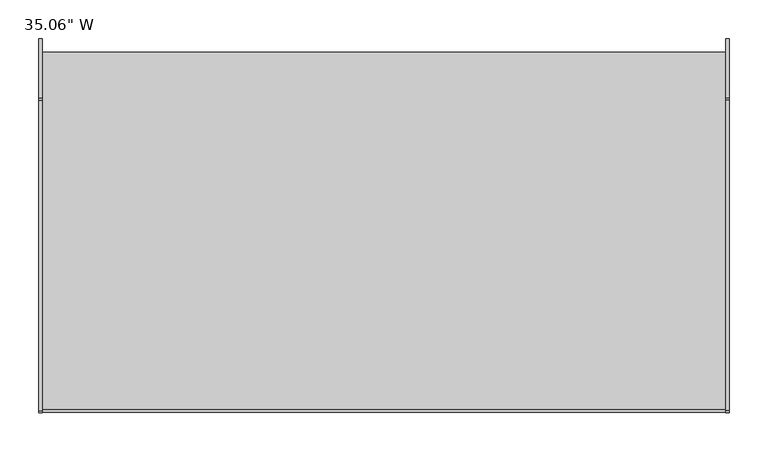
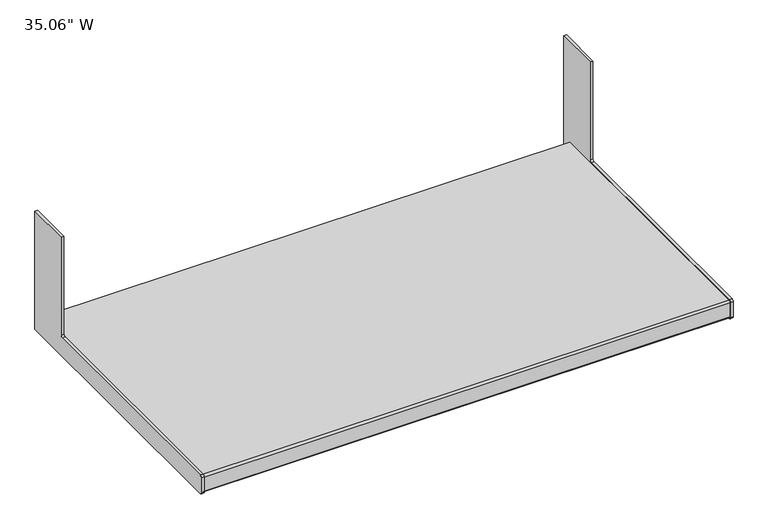
"""IFC4 building model written with IfcOpenShell, lengths in millimetres: furniture geometry."""

from ifc_helpers import new_model, si_unit, point, frame, frame_2d, origin, place, context, project, spatial, polyline, circle_curve, trimmed, segment, composite_curve, outline, extrude, source, transform, mapped, element, save


def furniture_a1328855(model_context):
    return source(origin(), model_context, "Body", "SweptSolid", [
        extrude(outline(composite_curve([segment(trimmed(circle_curve(frame_2d((-432.3841669, 3.048)), 3.048), [point((-432.3841669, 0.0))], [point((-435.4321669, 3.048))], False, "CARTESIAN"), True, "CONTINUOUS"), segment(polyline([(-435.4321669, 3.048), (-435.4321669, 29.972)]), True, "CONTINUOUS"), segment(trimmed(circle_curve(frame_2d((-432.3841669, 29.972)), 3.048), [point((-435.4321669, 29.972))], [point((-432.3841669, 33.02))], False, "CARTESIAN"), True, "CONTINUOUS"), segment(polyline([(-432.3841669, 33.02), (-32.0801669, 33.02)]), True, "CONTINUOUS"), segment(trimmed(circle_curve(frame_2d((-32.0801669, 36.068)), 3.048), [point((-32.0801669, 33.02))], [point((-29.0321669, 36.068))], True, "CARTESIAN"), True, "CONTINUOUS"), segment(polyline([(-29.0321669, 36.068), (-29.0321669, 209.55), (47.1678331, 209.55), (47.1678331, 0.0), (-432.3841669, 0.0)]), True, "CONTINUOUS")], self_intersect=False)), frame((11.938, 0.0, 0.0), z_axis=(1.0, 0.0, 0.0), x_axis=(0.0, 1.0, 0.0)), (0.0, 0.0, 1.0), 4.699),
        extrude(outline(composite_curve([segment(polyline([(-431.495195, 31.75), (29.7306707, 31.75), (29.7306707, 1.27), (-431.495195, 1.27)]), True, "CONTINUOUS"), segment(trimmed(circle_curve(frame_2d((-431.495195, 4.318)), 3.048), [point((-431.495195, 1.27))], [point((-434.543195, 4.318))], False, "CARTESIAN"), True, "CONTINUOUS"), segment(polyline([(-434.543195, 4.318), (-434.543195, 28.702)]), True, "CONTINUOUS"), segment(trimmed(circle_curve(frame_2d((-431.495195, 28.702)), 3.048), [point((-434.543195, 28.702))], [point((-431.495195, 31.75))], False, "CARTESIAN"), True, "CONTINUOUS")], self_intersect=False)), frame((16.637, 0.0, 0.0), z_axis=(1.0, 0.0, 0.0), x_axis=(0.0, 1.0, 0.0)), (0.0, 0.0, 1.0), 881.126),
        extrude(outline(composite_curve([segment(trimmed(circle_curve(frame_2d((-432.3841669, 3.048)), 3.048), [point((-432.3841669, 0.0))], [point((-435.4321669, 3.048))], False, "CARTESIAN"), True, "CONTINUOUS"), segment(polyline([(-435.4321669, 3.048), (-435.4321669, 29.972)]), True, "CONTINUOUS"), segment(trimmed(circle_curve(frame_2d((-432.3841669, 29.972)), 3.048), [point((-435.4321669, 29.972))], [point((-432.3841669, 33.02))], False, "CARTESIAN"), True, "CONTINUOUS"), segment(polyline([(-432.3841669, 33.02), (-32.0801669, 33.02)]), True, "CONTINUOUS"), segment(trimmed(circle_curve(frame_2d((-32.0801669, 36.068)), 3.048), [point((-32.0801669, 33.02))], [point((-29.0321669, 36.068))], True, "CARTESIAN"), True, "CONTINUOUS"), segment(polyline([(-29.0321669, 36.068), (-29.0321669, 209.55), (47.1678331, 209.55), (47.1678331, 0.0), (-432.3841669, 0.0)]), True, "CONTINUOUS")], self_intersect=False)), frame((897.763, 0.0, 0.0), z_axis=(1.0, 0.0, 0.0), x_axis=(0.0, 1.0, 0.0)), (0.0, 0.0, 1.0), 4.699),
    ])


if __name__ == "__main__":
    model = new_model("IFC4")
    model_context = context("Model", 3, world=origin())
    ifc_project = project(units=[si_unit("LENGTHUNIT", "METRE", prefix="MILLI")], contexts=[model_context])
    site = spatial("IfcSite", under=ifc_project)
    building = spatial("IfcBuilding", under=site)
    placement = place(None, origin())
    furniture_shape = furniture_a1328855(model_context)
    element("IfcFurniture", 1, ObjectType="35.06\" W", at=placement, inside=building, context=model_context, shape_type="MappedRepresentation", body=[
        mapped(furniture_shape, transform((0.0, 0.0, 0.0), x_axis=(1.0, 0.0, 0.0), y_axis=(0.0, 1.0, 0.0), z_axis=(0.0, 0.0, 1.0))),
    ])
    save(model, "model.ifc")
